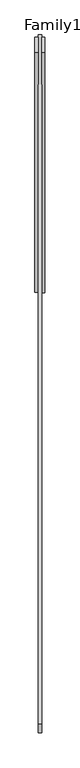
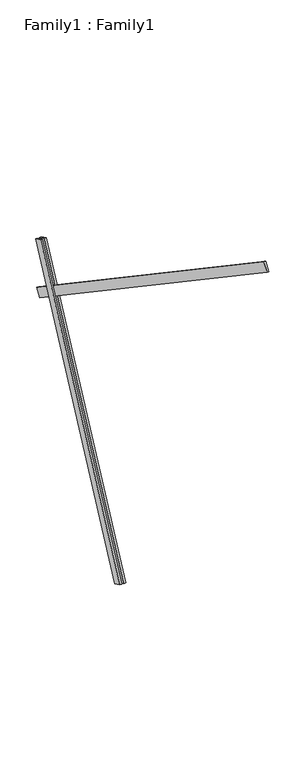
"""IFC4 building model written with IfcOpenShell, lengths in millimetres: proxy geometry, Family1 : Family1."""

from ifc_helpers import new_model, si_unit, frame, origin, place, context, project, spatial, polyline, outline, extrude, source, transform, mapped, element, save


def family1_family1_5c2603c4(model_context):
    return source(origin(), model_context, "Body", "SweptSolid", [
        extrude(outline(polyline([(0.0, 0.0), (0.0, -20.0), (-100.0000001, -20.0), (-100.0000001, 0.0), (0.0, 0.0)])), frame((-30.0, 46.3241747, -22.5938096), z_axis=(0.0, 0.4383711467890692, 0.8987940462991711), x_axis=(0.0, 0.8987940462991711, -0.4383711467890692)), (0.0, 0.0, 1.0), 3300.0),
        extrude(outline(polyline([(0.0, 0.0), (0.0, -20.0), (-99.9999999, -20.0), (-99.9999999, 0.0), (0.0, 0.0)])), frame((10.0, 45.270232, -22.0797674), z_axis=(0.0, 0.4383711467890692, 0.8987940462991711), x_axis=(0.0, 0.8987940462991711, -0.4383711467890692)), (0.0, 0.0, 1.0), 3300.0),
        extrude(outline(polyline([(0.0, -20.0), (0.0, 0.0), (5000.0, 0.0), (5000.0, -20.0), (0.0, -20.0)])), frame((-10.0, -2695.5565345, 5102.4064741), z_axis=(0.0, 0.5591929034707486, 0.8290375725550405), x_axis=(0.0, 0.8290375725550405, -0.5591929034707486)), (0.0, 0.0, 1.0), 100.0),
    ])


if __name__ == "__main__":
    model = new_model("IFC4")
    model_context = context("Model", 3, world=origin())
    ifc_project = project(units=[si_unit("LENGTHUNIT", "METRE", prefix="MILLI")], contexts=[model_context])
    site = spatial("IfcSite", under=ifc_project)
    building = spatial("IfcBuilding", under=site)
    placement = place(None, origin())
    family1_family1_shape = family1_family1_5c2603c4(model_context)
    element("IfcBuildingElementProxy", 1, Name="Family1 : Family1", ObjectType="Family1 : Family1", at=placement, inside=building, context=model_context, shape_type="MappedRepresentation", body=[
        mapped(family1_family1_shape, transform((0.0, 0.0, 0.0), x_axis=(1.0, 0.0, 0.0), y_axis=(0.0, 1.0, 0.0), z_axis=(0.0, 0.0, 1.0))),
    ])
    save(model, "model.ifc")
